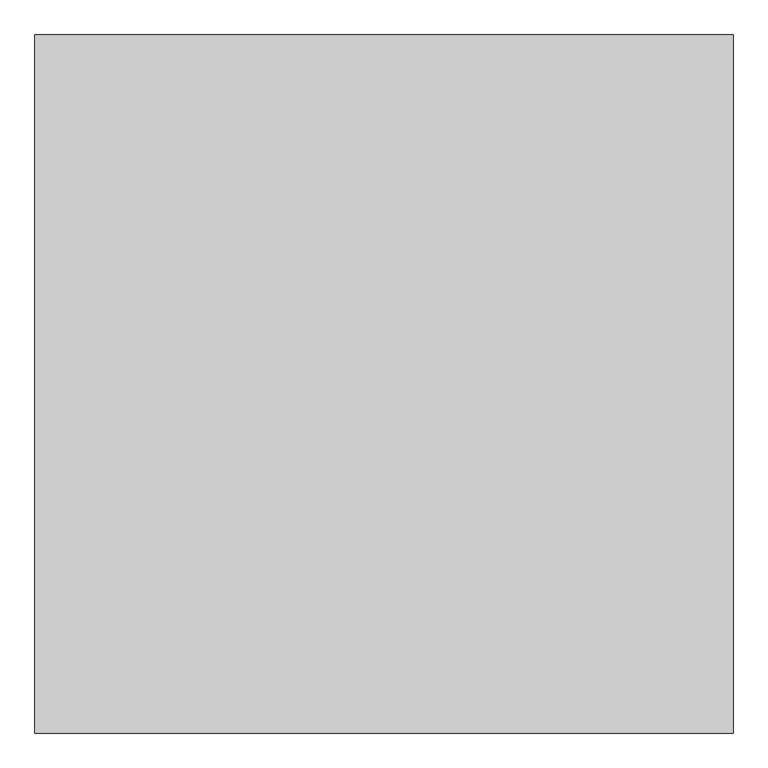
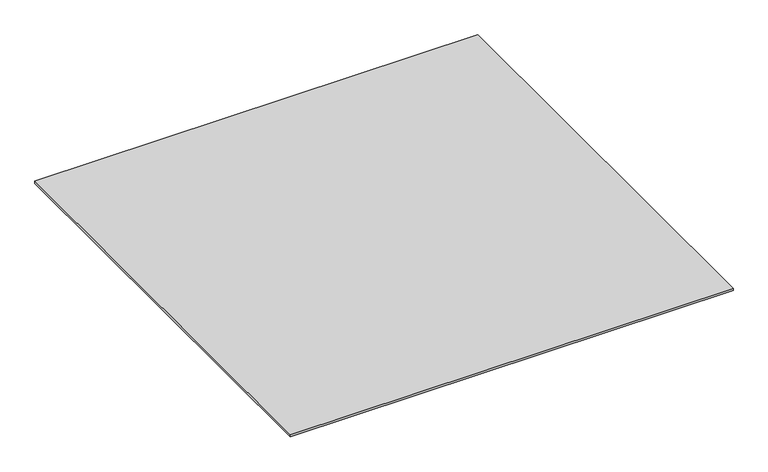
"""IFC4 building model written with IfcOpenShell, lengths in millimetres: proxy geometry."""

from ifc_helpers import new_model, si_unit, origin, origin_with_axes, place, context, project, spatial, polyline, outline, extrude, source, transform, mapped, element, save


def generic_models_1542897c(model_context):
    return source(origin(), model_context, "Body", "SweptSolid", [
        extrude(outline(polyline([(-5796.9237868, -28787.355679), (-5796.9237868, -29787.355679), (-6796.9237868, -29787.355679), (-6796.9237868, -28787.355679), (-5796.9237868, -28787.355679)])), origin_with_axes(), (0.0, 0.0, 1.0), 5.0),
    ])


if __name__ == "__main__":
    model = new_model("IFC4")
    model_context = context("Model", 3, world=origin())
    ifc_project = project(units=[si_unit("LENGTHUNIT", "METRE", prefix="MILLI")], contexts=[model_context])
    site = spatial("IfcSite", under=ifc_project)
    building = spatial("IfcBuilding", under=site)
    placement = place(None, origin())
    generic_models_shape = generic_models_1542897c(model_context)
    element("IfcBuildingElementProxy", 1, Name="Generic Models", at=placement, inside=building, context=model_context, shape_type="MappedRepresentation", body=[
        mapped(generic_models_shape, transform((0.0, 0.0, 0.0), x_axis=(1.0, 0.0, 0.0), y_axis=(0.0, 1.0, 0.0), z_axis=(0.0, 0.0, 1.0))),
    ])
    save(model, "model.ifc")
